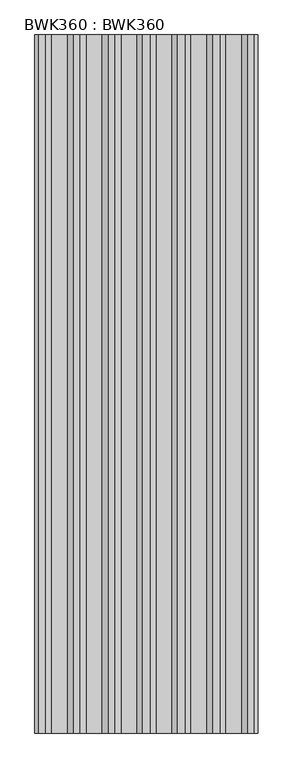
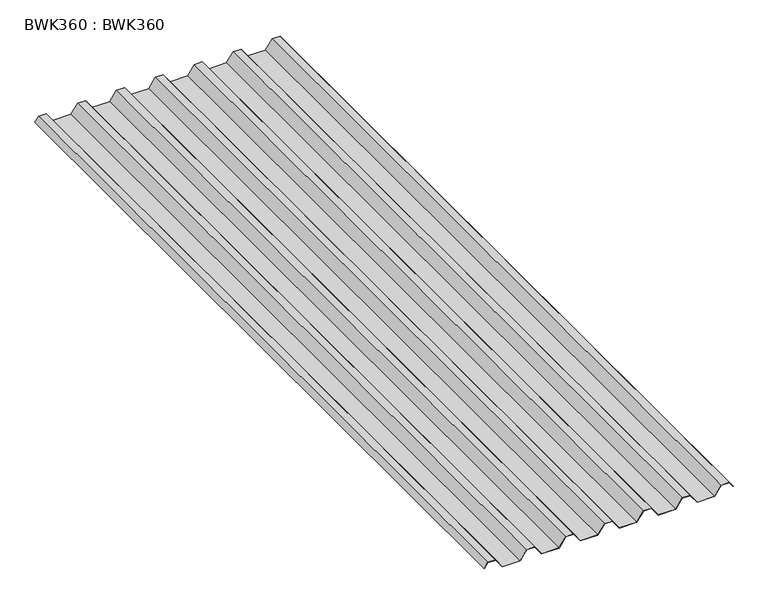
"""IFC4 building model written with IfcOpenShell, lengths in millimetres: proxy geometry, BWK360 : BWK360."""

import ifcopenshell
import ifcopenshell.guid

model = None  # the IFC model being written
_history = None  # IfcOwnerHistory: only IFC2X3 demands one
_inside = {}  # id of a spatial element -> (the spatial element, [elements in it])
_under = {}  # id of a project, library or spatial element -> (it, [spatial elements below it])
_declared = {}  # id of a project -> (the project, [libraries it declares])
_typed = {}  # id of a type object -> (the type object, [elements of that type])
_made_of = {}  # id of a material, layer set ... -> (it, [elements and type objects made of it])


def new_model(schema):
    """Start an empty IFC model of exactly this schema.

    Asked for "IFC4X3", IfcOpenShell would pick the latest addendum, in which some entities
    have other attributes; the version numbers below select the first issue.
    IFC2X3 requires an IfcOwnerHistory on every rooted entity: one is made here for all.
    """
    global model, _history
    if schema == "IFC4X3":
        model = ifcopenshell.file(schema_version=(4, 3, 0, 0))
    else:
        model = ifcopenshell.file(schema=schema)
    _inside.clear()
    _under.clear()
    _declared.clear()
    _typed.clear()
    _made_of.clear()
    _history = None
    if model.schema == "IFC2X3":
        org = make("IfcOrganization", Name="unknown")
        user = make(
            "IfcPersonAndOrganization",
            ThePerson=make("IfcPerson", FamilyName="unknown"),
            TheOrganization=org,
        )
        app = make(
            "IfcApplication",
            ApplicationDeveloper=org,
            Version="unknown",
            ApplicationFullName="unknown",
            ApplicationIdentifier="unknown",
        )
        _history = make(
            "IfcOwnerHistory",
            OwningUser=user,
            OwningApplication=app,
            ChangeAction="ADDED",
            CreationDate=0,
        )
    return model


def make(cls, **values):
    """One entity of the class cls with the attributes given. An attribute that is None is left unset."""
    return model.create_entity(
        cls, **{name: value for name, value in values.items() if value is not None}
    )


def rooted(cls, **values):
    """An entity with a GlobalId (a new one), such as an element, a storey or a relation."""
    return make(cls, GlobalId=ifcopenshell.guid.new(), OwnerHistory=_history, **values)


def si_unit(unit_type, name, prefix=None):
    """IfcSIUnit, for example si_unit("LENGTHUNIT", "METRE", prefix="MILLI")."""
    return make("IfcSIUnit", UnitType=unit_type, Prefix=prefix, Name=name)


def assignment(units):
    """IfcUnitAssignment: the units of a project."""
    return None if units is None else make("IfcUnitAssignment", Units=units)


def point(xyz):
    """IfcCartesianPoint."""
    return None if xyz is None else make("IfcCartesianPoint", Coordinates=xyz)


def direction(xyz):
    """IfcDirection."""
    return None if xyz is None else make("IfcDirection", DirectionRatios=xyz)


def frame(location, z_axis=None, x_axis=None):
    """IfcAxis2Placement3D, a coordinate frame: its origin and axes. An axis left out is left unset."""
    return make(
        "IfcAxis2Placement3D",
        Location=point(location),
        Axis=direction(z_axis),
        RefDirection=direction(x_axis),
    )


def origin():
    """The frame at (0, 0, 0) with its axes left unset."""
    return frame((0.0, 0.0, 0.0))


def place(relative_to, where):
    """IfcLocalPlacement: puts the frame where relative to a parent placement (None: the world)."""
    return make(
        "IfcLocalPlacement", PlacementRelTo=relative_to, RelativePlacement=where
    )


def context(
    kind, dimensions, precision=None, world=None, true_north=None, identifier=None
):
    """IfcGeometricRepresentationContext, for example the 3D "Model" context."""
    return make(
        "IfcGeometricRepresentationContext",
        ContextIdentifier=identifier,
        ContextType=kind,
        CoordinateSpaceDimension=dimensions,
        Precision=precision,
        WorldCoordinateSystem=world,
        TrueNorth=true_north,
    )


def project(units=None, contexts=None):
    """IfcProject with its units and contexts."""
    return rooted(
        "IfcProject",
        Name="project",
        RepresentationContexts=contexts,
        UnitsInContext=assignment(units),
    )


def spatial(cls, under=None, at=None, **own):
    """A site, building, storey or space (cls), placed at a placement, below another one or the project."""
    s = rooted(cls, ObjectPlacement=at, **own)
    if under is not None:
        _under.setdefault(under.id(), (under, []))[1].append(s)
    return s


def polyline(points):
    """IfcPolyline through the points."""
    return make("IfcPolyline", Points=[point(p) for p in points])


def outline(outer, holes=None, kind="AREA"):
    """IfcArbitraryClosedProfileDef: a profile drawn as a closed curve; with holes, ...WithVoids."""
    if holes is None:
        return make("IfcArbitraryClosedProfileDef", ProfileType=kind, OuterCurve=outer)
    return make(
        "IfcArbitraryProfileDefWithVoids",
        ProfileType=kind,
        OuterCurve=outer,
        InnerCurves=holes,
    )


def extrude(swept, where, along, depth):
    """IfcExtrudedAreaSolid: the profile swept, set in the frame where, extruded along a direction by depth."""
    return make(
        "IfcExtrudedAreaSolid",
        SweptArea=swept,
        Position=where,
        ExtrudedDirection=direction(along),
        Depth=depth,
    )


def shape(context_of_items, identifier, shape_type, items):
    """IfcShapeRepresentation: the items that make up one representation, for example the "Body"."""
    return make(
        "IfcShapeRepresentation",
        ContextOfItems=context_of_items,
        RepresentationIdentifier=identifier,
        RepresentationType=shape_type,
        Items=items,
    )


def source(mapping_origin, context_of_items, identifier, shape_type, items):
    """IfcRepresentationMap: a shape defined once, which mapped items show again and again."""
    return make(
        "IfcRepresentationMap",
        MappingOrigin=mapping_origin,
        MappedRepresentation=shape(context_of_items, identifier, shape_type, items),
    )


def transform(
    local_origin,
    x_axis=None,
    y_axis=None,
    z_axis=None,
    scale=None,
    scale2=None,
    scale3=None,
    uniform=True,
):
    """IfcCartesianTransformationOperator3D, or its non-uniform kind. x_axis, y_axis, z_axis: its Axis1, 2, 3."""
    if uniform:
        return make(
            "IfcCartesianTransformationOperator3D",
            Axis1=direction(x_axis),
            Axis2=direction(y_axis),
            LocalOrigin=point(local_origin),
            Scale=scale,
            Axis3=direction(z_axis),
        )
    return make(
        "IfcCartesianTransformationOperator3DnonUniform",
        Axis1=direction(x_axis),
        Axis2=direction(y_axis),
        LocalOrigin=point(local_origin),
        Scale=scale,
        Axis3=direction(z_axis),
        Scale2=scale2,
        Scale3=scale3,
    )


def mapped(mapping_source, mapping_target):
    """IfcMappedItem: shows the shape of a source again, moved by a transform."""
    return make(
        "IfcMappedItem", MappingSource=mapping_source, MappingTarget=mapping_target
    )


def made_of(thing, what):
    """Note that an element or type object is made of a material, layer set ...; save() writes the relation."""
    if what is not None:
        _made_of.setdefault(what.id(), (what, []))[1].append(thing)
    return thing


def element(
    cls,
    number,
    at=None,
    inside=None,
    cuts=None,
    type_object=None,
    material=None,
    context=None,
    identifier="Body",
    shape_type=None,
    held_by="IfcProductDefinitionShape",
    body=None,
    shapes=None,
    **own,
):
    """One element of the class cls, such as IfcWall. Its Tag is "e" and its number.

    at: its placement. inside: the storey or other place that contains it. cuts: it is an
    opening in that element (IfcRelVoidsElement). A single representation is given by context,
    identifier, shape_type and body (its items); several are given by shapes. held_by: the class
    of the entity that holds the representations. save() writes the other relations.
    """
    e = rooted(cls, Tag="e%d" % number, ObjectPlacement=at, **own)
    if body is not None:
        shapes = [shape(context, identifier, shape_type, body)]
    if shapes is not None:
        e.Representation = make(held_by, Representations=shapes)
    if inside is not None:
        _inside.setdefault(inside.id(), (inside, []))[1].append(e)
    if cuts is not None:
        rooted(
            "IfcRelVoidsElement", RelatingBuildingElement=cuts, RelatedOpeningElement=e
        )
    if type_object is not None:
        _typed.setdefault(type_object.id(), (type_object, []))[1].append(e)
    return made_of(e, material)


def aggregate(whole, parts):
    """IfcRelAggregates: a whole, such as a stair, and the parts it consists of."""
    return rooted("IfcRelAggregates", RelatingObject=whole, RelatedObjects=parts)


def save(model, path):
    """Write the relations noted so far, then the file.

    IfcRelAggregates (storeys below a building ...), IfcRelContainedInSpatialStructure (elements
    in a storey), IfcRelDefinesByType, IfcRelAssociatesMaterial and IfcRelDeclares: one each for
    every whole, place, type object, material and project.
    """
    for whole, parts in _under.values():
        aggregate(whole, parts)
    for where, things in _inside.values():
        rooted(
            "IfcRelContainedInSpatialStructure",
            RelatedElements=things,
            RelatingStructure=where,
        )
    for kind, things in _typed.values():
        rooted("IfcRelDefinesByType", RelatedObjects=things, RelatingType=kind)
    for what, things in _made_of.values():
        rooted("IfcRelAssociatesMaterial", RelatedObjects=things, RelatingMaterial=what)
    for by, libraries in _declared.values():
        rooted("IfcRelDeclares", RelatingContext=by, RelatedDefinitions=libraries)
    model.write(path)


def bwk360_bwk360_e8fecaad(model_context):
    return source(origin(), model_context, "Body", "SweptSolid", [
        extrude(outline(polyline([(17.2935381, -99.4286672), (16.8273351, -98.7628604), (37.2872, -84.4367088), (37.2872, -54.8029426), (0.0, -28.6941641), (0.0, 41.8545127), (37.2872, 67.9632912), (37.2872, 98.8670574), (0.0, 124.9758359), (0.0, 194.2545127), (37.2872, 220.3632912), (37.2872, 251.2670574), (0.0, 277.3758359), (0.0, 346.6545127), (37.2872, 372.7632912), (37.2872, 403.6670574), (0.0, 429.7758359), (0.0, 499.0545127), (37.2872, 525.1632912), (37.2872, 556.0670574), (0.0, 582.1758359), (0.0, 651.4545127), (37.2872, 677.5632912), (37.2872, 708.4670574), (0.0, 734.5758359), (0.0, 803.8545127), (37.2872, 829.9632912), (37.2872, 860.8670574), (16.8273351, 875.193209), (17.2935381, 875.8590158), (38.1, 861.2901743), (38.1, 829.5401743), (0.8128, 803.4313958), (0.8128, 734.9989528), (38.1, 708.8901743), (38.1, 677.1401743), (0.8128, 651.0313958), (0.8128, 582.5989528), (38.1, 556.4901743), (38.1, 524.7401743), (0.8128, 498.6313958), (0.8128, 430.1989528), (38.1, 404.0901743), (38.1, 372.3401743), (0.8128, 346.2313958), (0.8128, 277.7989528), (38.1, 251.6901743), (38.1, 219.9401743), (0.8128, 193.8313958), (0.8128, 125.3989528), (38.1, 99.2901743), (38.1, 67.5401743), (0.8128, 41.4313958), (0.8128, -28.2710472), (38.1, -54.3798257), (38.1, -84.8598257), (17.2935381, -99.4286672)])), frame((0.0, -1625.6, 0.0), z_axis=(0.0, 1.0, 0.0), x_axis=(0.0, 0.0, 1.0)), (0.0, 0.0, 1.0), 3048.0),
    ])


if __name__ == "__main__":
    model = new_model("IFC4")
    model_context = context("Model", 3, world=origin())
    ifc_project = project(units=[si_unit("LENGTHUNIT", "METRE", prefix="MILLI")], contexts=[model_context])
    site = spatial("IfcSite", under=ifc_project)
    building = spatial("IfcBuilding", under=site)
    placement = place(None, origin())
    bwk360_bwk360_shape = bwk360_bwk360_e8fecaad(model_context)
    element("IfcBuildingElementProxy", 1, Name="BWK360 : BWK360", ObjectType="BWK360 : BWK360", at=placement, inside=building, context=model_context, shape_type="MappedRepresentation", body=[
        mapped(bwk360_bwk360_shape, transform((0.0, 0.0, 0.0), x_axis=(1.0, 0.0, 0.0), y_axis=(0.0, 1.0, 0.0), z_axis=(0.0, 0.0, 1.0))),
    ])
    save(model, "model.ifc")
